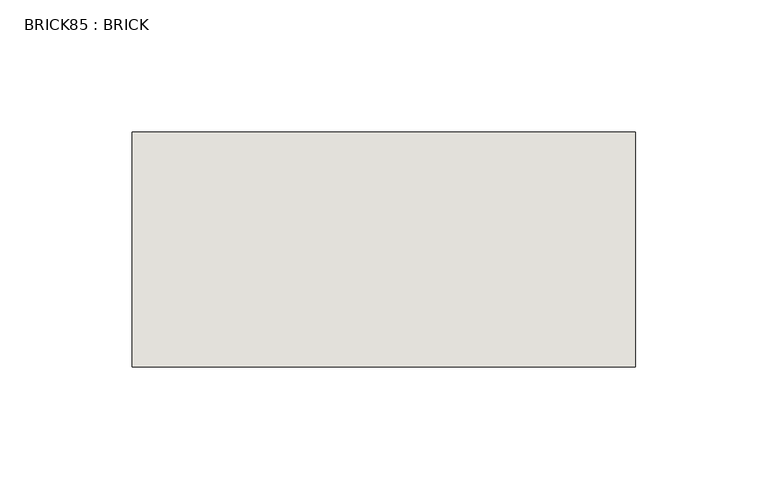
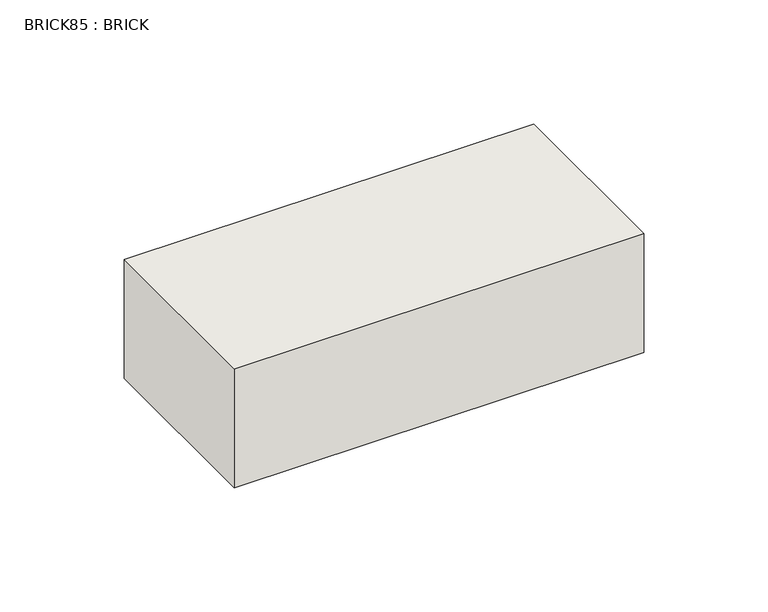
"""IFC4 building model written with IfcOpenShell, lengths in millimetres: wall geometry, BRICK85 : BRICK."""

from ifc_helpers import new_model, si_unit, frame, origin, place, context, project, spatial, polyline, outline, extrude, source, transform, mapped, element, save


def brick85_brick_5c2b04f3(model_context):
    return source(origin(), model_context, "Body", "SweptSolid", [
        extrude(outline(polyline([(1341.7272594, 2586.2274125), (1532.2272594, 2586.2274125), (1532.2272594, 2497.3274125), (1341.7272594, 2497.3274125), (1341.7272594, 2586.2274125)])), frame((0.0, 0.0, 143.8671875), z_axis=(0.0, 0.0, 1.0), x_axis=(1.0, 0.0, 0.0)), (0.0, 0.0, 1.0), 58.4398437),
    ])


if __name__ == "__main__":
    model = new_model("IFC4")
    model_context = context("Model", 3, world=origin())
    ifc_project = project(units=[si_unit("LENGTHUNIT", "METRE", prefix="MILLI")], contexts=[model_context])
    site = spatial("IfcSite", under=ifc_project)
    building = spatial("IfcBuilding", under=site)
    placement = place(None, origin())
    brick85_brick_shape = brick85_brick_5c2b04f3(model_context)
    element("IfcWall", 1, ObjectType="BRICK85 : BRICK", at=placement, inside=building, context=model_context, shape_type="MappedRepresentation", body=[
        mapped(brick85_brick_shape, transform((0.0, 0.0, 0.0), x_axis=(1.0, 0.0, 0.0), y_axis=(0.0, 1.0, 0.0), z_axis=(0.0, 0.0, 1.0))),
    ])
    save(model, "model.ifc")
